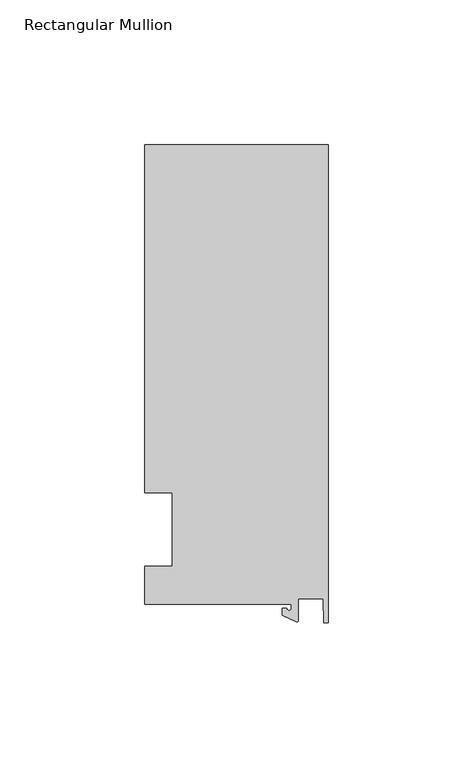
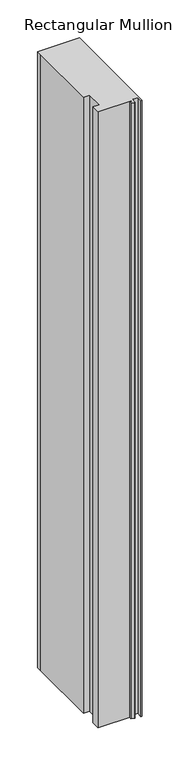
"""IFC4 building model written with IfcOpenShell, lengths in millimetres: member geometry, Rectangular Mullion."""

from ifc_helpers import new_model, si_unit, point, frame, frame_2d, origin, place, context, project, spatial, polyline, circle_curve, trimmed, segment, composite_curve, outline, extrude, source, transform, mapped, element, save


def rectangular_mullion_609555ab(model_context):
    return source(origin(), model_context, "Body", "SweptSolid", [
        extrude(outline(composite_curve([segment(polyline([(-12.6979967, -25.796875), (-63.5, -25.796875), (-63.5, -12.7), (-53.975, -12.7), (-53.975, 12.7), (-63.5, 12.7), (-63.5, 125.4797866), (-63.5, 133.2272736), (0.0, 133.2272736), (0.0, -32.288874), (-1.5658966, -32.288874), (-1.7144124, -23.9227662), (-10.3103967, -23.9227662), (-10.3103967, -31.3654561)]), True, "CONTINUOUS"), segment(trimmed(circle_curve(frame_2d((-10.8183967, -31.3654561)), 0.508), [point((-10.3103967, -31.3654561))], [point((-11.0330867, -31.8258605))], False, "CARTESIAN"), True, "CONTINUOUS"), segment(polyline([(-11.0330867, -31.8258605), (-15.8729967, -29.5689734), (-15.8729967, -27.2067741), (-14.2854967, -27.2067741)]), True, "CONTINUOUS"), segment(trimmed(circle_curve(frame_2d((-13.4917467, -27.2067741)), 0.79375), [point((-14.2854967, -27.2067741))], [point((-12.6979967, -27.2067741))], True, "CARTESIAN"), True, "CONTINUOUS"), segment(polyline([(-12.6979967, -27.2067741), (-12.6979967, -25.796875)]), True, "CONTINUOUS")], self_intersect=False)), frame((0.0, 0.0, -990.6), z_axis=(0.0, 0.0, 1.0), x_axis=(1.0, 0.0, 0.0)), (0.0, 0.0, 1.0), 990.6),
    ])


if __name__ == "__main__":
    model = new_model("IFC4")
    model_context = context("Model", 3, world=origin())
    ifc_project = project(units=[si_unit("LENGTHUNIT", "METRE", prefix="MILLI")], contexts=[model_context])
    site = spatial("IfcSite", under=ifc_project)
    building = spatial("IfcBuilding", under=site)
    placement = place(None, origin())
    rectangular_mullion_shape = rectangular_mullion_609555ab(model_context)
    element("IfcMember", 1, ObjectType="Rectangular Mullion", at=placement, inside=building, context=model_context, shape_type="MappedRepresentation", body=[
        mapped(rectangular_mullion_shape, transform((0.0, 0.0, 0.0), x_axis=(1.0, 0.0, 0.0), y_axis=(0.0, 1.0, 0.0), z_axis=(0.0, 0.0, 1.0))),
    ])
    save(model, "model.ifc")
